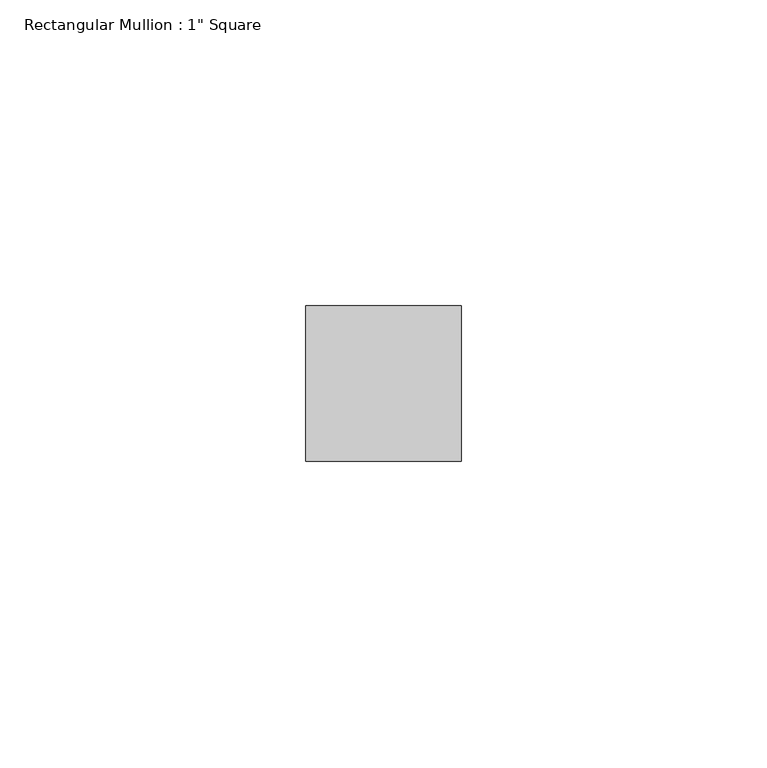
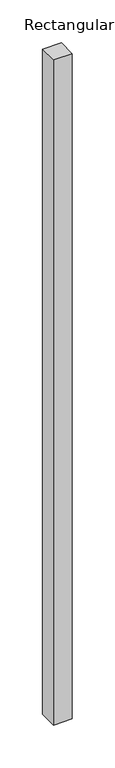
"""IFC4 building model written with IfcOpenShell, lengths in millimetres: member geometry."""

from ifc_helpers import new_model, si_unit, frame, origin, place, context, project, spatial, polyline, outline, extrude, source, transform, mapped, element, save


def member_c0771d15(model_context):
    return source(origin(), model_context, "Body", "SweptSolid", [
        extrude(outline(polyline([(12.7, 12.7), (12.7, -12.7), (-12.7, -12.7), (-12.7, 12.7), (12.7, 12.7)])), frame((0.0, 0.0, -948.9479038), z_axis=(0.0, 0.0, 1.0), x_axis=(1.0, 0.0, 0.0)), (0.0, 0.0, 1.0), 948.9479038),
    ])


if __name__ == "__main__":
    model = new_model("IFC4")
    model_context = context("Model", 3, world=origin())
    ifc_project = project(units=[si_unit("LENGTHUNIT", "METRE", prefix="MILLI")], contexts=[model_context])
    site = spatial("IfcSite", under=ifc_project)
    building = spatial("IfcBuilding", under=site)
    placement = place(None, origin())
    member_shape = member_c0771d15(model_context)
    element("IfcMember", 1, ObjectType="Rectangular Mullion : 1\" Square", at=placement, inside=building, context=model_context, shape_type="MappedRepresentation", body=[
        mapped(member_shape, transform((0.0, 0.0, 0.0), x_axis=(1.0, 0.0, 0.0), y_axis=(0.0, 1.0, 0.0), z_axis=(0.0, 0.0, 1.0))),
    ])
    save(model, "model.ifc")
